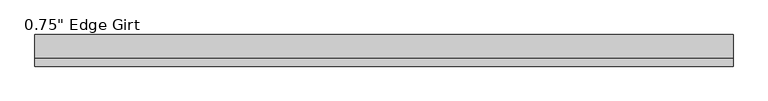
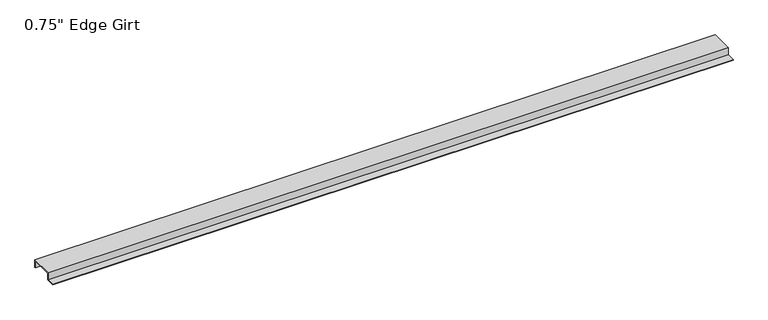
"""IFC4 building model written with IfcOpenShell, lengths in millimetres: proxy geometry."""

from ifc_helpers import new_model, si_unit, frame, origin, place, context, project, spatial, polyline, outline, extrude, source, transform, mapped, element, save


def proxy_6a26e3cc(model_context):
    return source(origin(), model_context, "Body", "SweptSolid", [
        extrude(outline(polyline([(-46.0559645, -17.4375), (-46.0559645, -15.8242), (-27.0129, -15.8242), (-27.0129, 1.6129), (27.0129, 1.6129), (27.0129, -17.4375), (25.4, -17.4375), (25.4, 0.0), (-25.4, 0.0), (-25.4, -17.4375), (-46.0559645, -17.4375)])), frame((0.0, 0.0, 0.0), z_axis=(1.0, 0.0, 0.0), x_axis=(0.0, 1.0, 0.0)), (0.0, 0.0, 1.0), 1614.8479266),
    ])


if __name__ == "__main__":
    model = new_model("IFC4")
    model_context = context("Model", 3, world=origin())
    ifc_project = project(units=[si_unit("LENGTHUNIT", "METRE", prefix="MILLI")], contexts=[model_context])
    site = spatial("IfcSite", under=ifc_project)
    building = spatial("IfcBuilding", under=site)
    placement = place(None, origin())
    proxy_shape = proxy_6a26e3cc(model_context)
    element("IfcBuildingElementProxy", 1, Name="0.75\" Edge Girt", ObjectType="0.75\" Edge Girt", at=placement, inside=building, context=model_context, shape_type="MappedRepresentation", body=[
        mapped(proxy_shape, transform((0.0, 0.0, 0.0), x_axis=(1.0, 0.0, 0.0), y_axis=(0.0, 1.0, 0.0), z_axis=(0.0, 0.0, 1.0))),
    ])
    save(model, "model.ifc")
